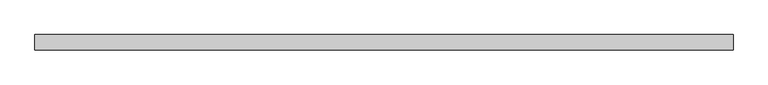
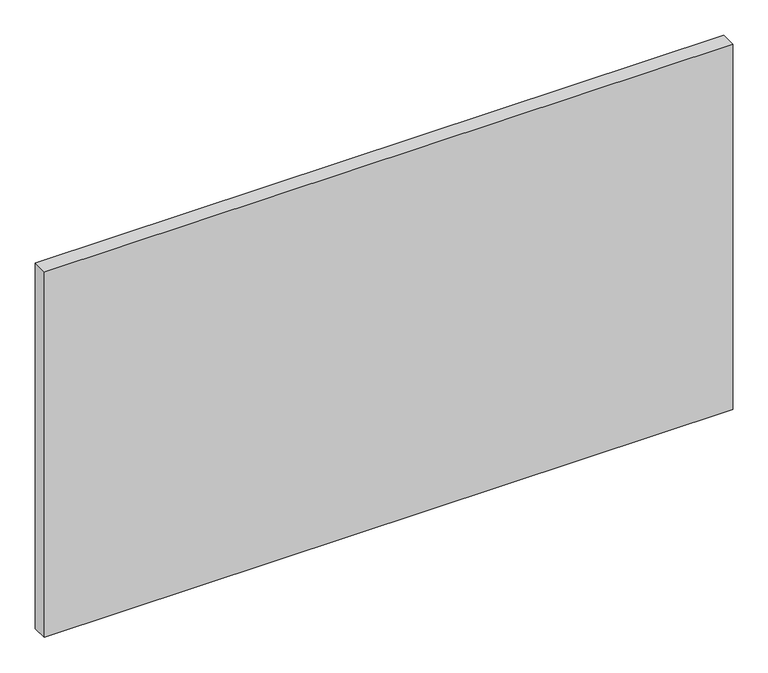
"""IFC4 building model written with IfcOpenShell, lengths in millimetres: plate geometry."""

from ifc_helpers import new_model, si_unit, origin, origin_with_axes, place, context, project, spatial, polyline, outline, extrude, source, transform, mapped, element, save


def plate_1946ee58(model_context):
    return source(origin(), model_context, "Body", "SweptSolid", [
        extrude(outline(polyline([(562.5, -12.5), (-562.5, -12.5), (-562.5, 12.5), (562.5, 12.5), (562.5, -12.5)])), origin_with_axes(), (0.0, 0.0, 1.0), 631.8371653),
    ])


if __name__ == "__main__":
    model = new_model("IFC4")
    model_context = context("Model", 3, world=origin())
    ifc_project = project(units=[si_unit("LENGTHUNIT", "METRE", prefix="MILLI")], contexts=[model_context])
    site = spatial("IfcSite", under=ifc_project)
    building = spatial("IfcBuilding", under=site)
    placement = place(None, origin())
    plate_shape = plate_1946ee58(model_context)
    element("IfcPlate", 1, at=placement, inside=building, context=model_context, shape_type="MappedRepresentation", body=[
        mapped(plate_shape, transform((0.0, 0.0, 0.0), x_axis=(1.0, 0.0, 0.0), y_axis=(0.0, 1.0, 0.0), z_axis=(0.0, 0.0, 1.0))),
    ])
    save(model, "model.ifc")
